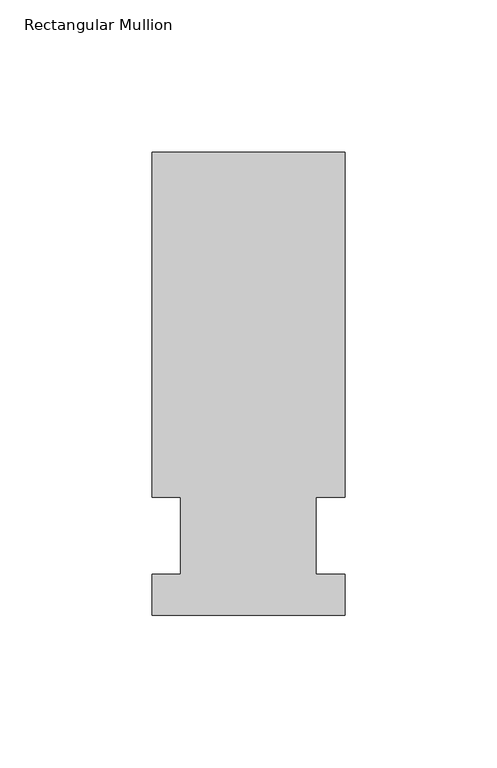
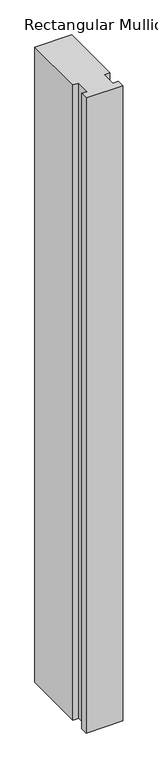
"""IFC4 building model written with IfcOpenShell, lengths in millimetres: member geometry, Rectangular Mullion."""

from ifc_helpers import new_model, si_unit, frame, origin, place, context, project, spatial, polyline, outline, extrude, source, transform, mapped, element, save


def rectangular_mullion_f4970cae(model_context):
    return source(origin(), model_context, "Body", "SweptSolid", [
        extrude(outline(polyline([(-31.75, -26.19375), (-31.75, -12.7), (-22.225, -12.7), (-22.225, 12.7), (-31.75, 12.7), (-31.75, 126.20625), (31.75, 126.20625), (31.75, 12.7), (22.225, 12.7), (22.225, -12.7), (31.75, -12.7), (31.75, -26.19375), (-31.75, -26.19375)])), frame((0.0, 0.0, -1155.7), z_axis=(0.0, 0.0, 1.0), x_axis=(1.0, 0.0, 0.0)), (0.0, 0.0, 1.0), 1155.7),
    ])


if __name__ == "__main__":
    model = new_model("IFC4")
    model_context = context("Model", 3, world=origin())
    ifc_project = project(units=[si_unit("LENGTHUNIT", "METRE", prefix="MILLI")], contexts=[model_context])
    site = spatial("IfcSite", under=ifc_project)
    building = spatial("IfcBuilding", under=site)
    placement = place(None, origin())
    rectangular_mullion_shape = rectangular_mullion_f4970cae(model_context)
    element("IfcMember", 1, ObjectType="Rectangular Mullion", at=placement, inside=building, context=model_context, shape_type="MappedRepresentation", body=[
        mapped(rectangular_mullion_shape, transform((0.0, 0.0, 0.0), x_axis=(1.0, 0.0, 0.0), y_axis=(0.0, 1.0, 0.0), z_axis=(0.0, 0.0, 1.0))),
    ])
    save(model, "model.ifc")
